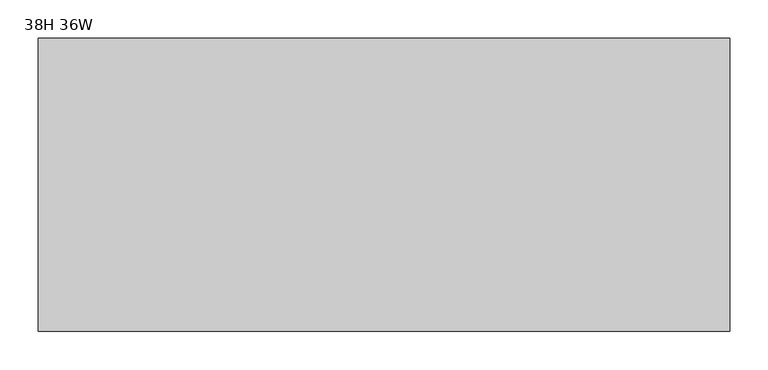
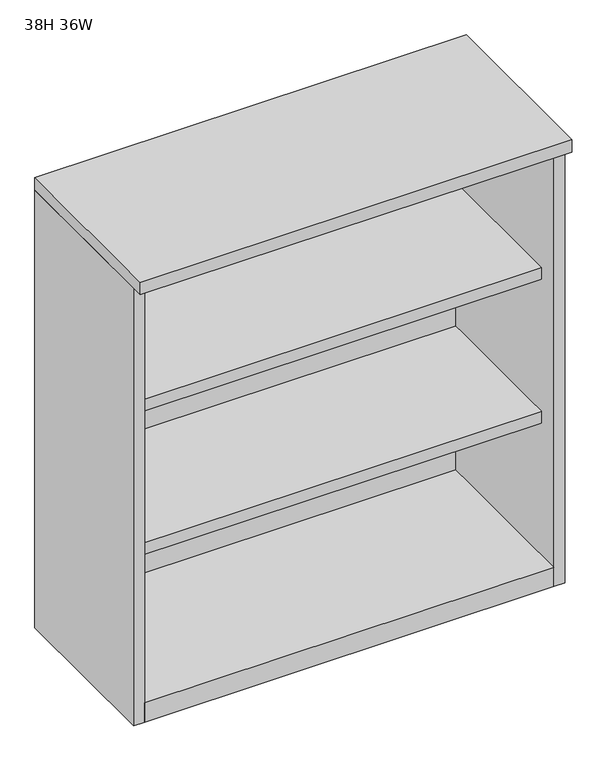
"""IFC4 building model written with IfcOpenShell, lengths in millimetres: furniture geometry, 38H 36W."""

from ifc_helpers import new_model, si_unit, frame, origin, origin_with_axes, place, context, project, spatial, polyline, outline, extrude, source, transform, mapped, element, save


def furniture_38h_36w_e45c4965(model_context):
    return source(origin(), model_context, "Body", "SweptSolid", [
        extrude(outline(polyline([(217.8304, 328.6125), (217.8304, 17.399), (-637.286, 17.399), (-637.286, 328.6125), (217.8304, 328.6125)])), frame((0.0, 0.0, 651.8148), z_axis=(0.0, 0.0, 1.0), x_axis=(1.0, 0.0, 0.0)), (0.0, 0.0, 1.0), 25.4),
        extrude(outline(polyline([(217.8304, 328.6125), (217.8304, -26.543), (-637.286, -26.543), (-637.286, 328.6125), (217.8304, 328.6125)])), frame((0.0, 0.0, 949.579), z_axis=(0.0, 0.0, 1.0), x_axis=(1.0, 0.0, 0.0)), (0.0, 0.0, 1.0), 17.272),
        extrude(outline(polyline([(217.8304, 328.6125), (217.8304, 17.399), (-637.286, 17.399), (-637.286, 328.6125), (217.8304, 328.6125)])), frame((0.0, 0.0, 334.5434), z_axis=(0.0, 0.0, 1.0), x_axis=(1.0, 0.0, 0.0)), (0.0, 0.0, 1.0), 25.4),
        extrude(outline(polyline([(240.9444, 330.2), (240.9444, -51.562), (-660.4, -51.562), (-660.4, 330.2), (240.9444, 330.2)])), frame((0.0, 0.0, 966.851), z_axis=(0.0, 0.0, 1.0), x_axis=(1.0, 0.0, 0.0)), (0.0, 0.0, 1.0), 26.924),
        extrude(outline(polyline([(0.0, -1.5875), (0.0, 0.0), (855.1164, 0.0), (855.1164, -1.5875), (0.0, -1.5875)])), frame((217.8304, 328.6125, 0.0), z_axis=(0.0, -1.620037437530839e-12, 1.0), x_axis=(-1.0, 0.0, 0.0)), (0.0, 0.0, 1.0), 966.851),
        extrude(outline(polyline([(0.0, -23.114), (0.0, 0.0), (356.743, 0.0), (356.743, -23.114), (0.0, -23.114)])), frame((-637.286, 330.2, 0.0), z_axis=(-1.6807068557397578e-12, 0.0, 1.0), x_axis=(0.0, -1.0, 0.0)), (0.0, 0.0, 1.0), 966.851),
        extrude(outline(polyline([(217.8304, 330.2), (240.9444, 330.2), (240.9444, -26.543), (217.8304, -26.543), (217.8304, 330.2)])), origin_with_axes(), (0.0, 0.0, 1.0), 966.851),
        extrude(outline(polyline([(217.8304, 328.6125), (217.8304, -26.543), (-637.286, -26.543), (-637.286, 328.6125), (217.8304, 328.6125)])), origin_with_axes(), (0.0, 0.0, 1.0), 42.672),
    ])


if __name__ == "__main__":
    model = new_model("IFC4")
    model_context = context("Model", 3, world=origin())
    ifc_project = project(units=[si_unit("LENGTHUNIT", "METRE", prefix="MILLI")], contexts=[model_context])
    site = spatial("IfcSite", under=ifc_project)
    building = spatial("IfcBuilding", under=site)
    placement = place(None, origin())
    furniture_38h_36w_shape = furniture_38h_36w_e45c4965(model_context)
    element("IfcFurniture", 1, ObjectType="38H 36W", at=placement, inside=building, context=model_context, shape_type="MappedRepresentation", body=[
        mapped(furniture_38h_36w_shape, transform((0.0, 0.0, 0.0), x_axis=(1.0, 0.0, 0.0), y_axis=(0.0, 1.0, 0.0), z_axis=(0.0, 0.0, 1.0))),
    ])
    save(model, "model.ifc")
